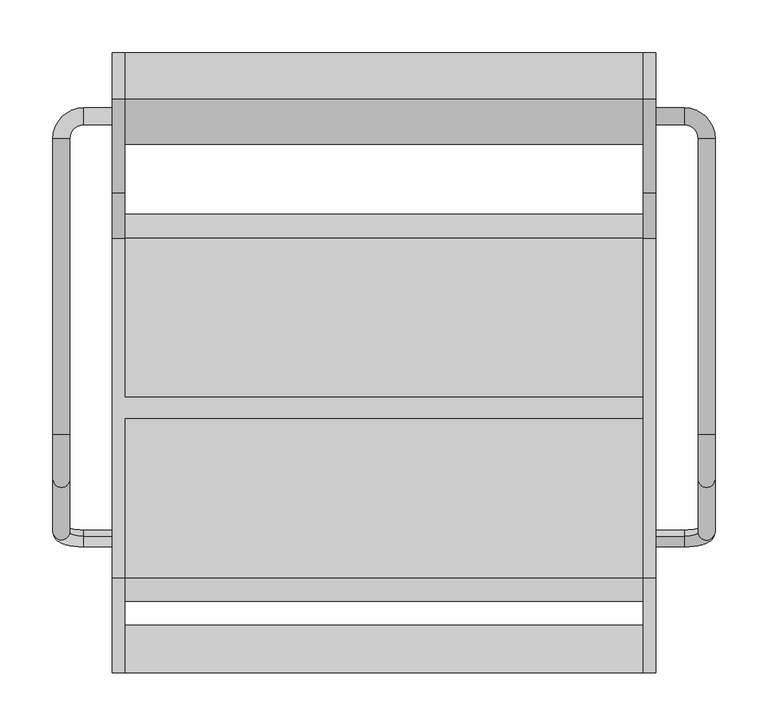
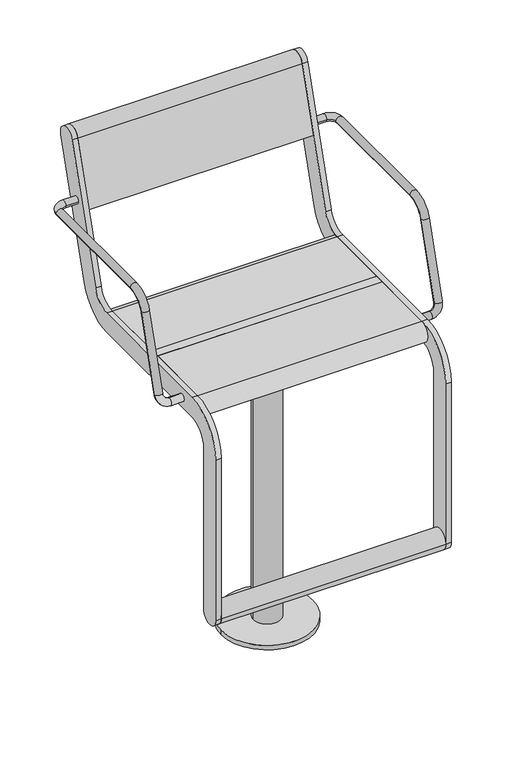
"""IFC4 building model written with IfcOpenShell, lengths in millimetres: furniture geometry."""

from ifc_helpers import new_model, si_unit, point, frame, frame_2d, origin, origin_with_axes, origin_2d, place, context, project, spatial, polyline, circle_curve, ellipse_curve, trimmed, segment, composite_curve, outline, extrude, source, transform, mapped, element, save
from ifc_brep_helpers import plane_surface, cylinder_surface, revolved_surface, advanced_brep


def furniture_596b1c0a(model_context):
    return source(origin(), model_context, "Body", "SolidModel", [
        extrude(outline(composite_curve([segment(trimmed(circle_curve(origin_2d(), 40.0), [point((-40.0, 0.0))], [point((40.0, 0.0))], False, "CARTESIAN"), True, "CONTINUOUS"), segment(trimmed(circle_curve(origin_2d(), 40.0), [point((40.0, 0.0))], [point((-40.0, 0.0))], False, "CARTESIAN"), True, "CONTINUOUS")], self_intersect=False)), frame((0.0, 0.0, 578.999979), z_axis=(0.0, 0.0, 1.0), x_axis=(1.0, 0.0, 0.0)), (0.0, 0.0, 1.0), 60.0000441),
        extrude(outline(polyline([(75.0, 125.0), (75.0, -125.0), (-75.0, -125.0), (-75.0, 125.0), (75.0, 125.0)])), frame((0.0, 0.0, 639.0000231), z_axis=(0.0, 0.0, 1.0), x_axis=(1.0, 0.0, 0.0)), (0.0, 0.0, 1.0), 15.9999681),
        extrude(outline(composite_curve([segment(trimmed(circle_curve(origin_2d(), 100.0), [point((-100.0, 0.0))], [point((100.0, 0.0))], False, "CARTESIAN"), True, "CONTINUOUS"), segment(trimmed(circle_curve(origin_2d(), 100.0), [point((100.0, 0.0))], [point((-100.0, 0.0))], False, "CARTESIAN"), True, "CONTINUOUS")], self_intersect=False)), origin_with_axes(), (0.0, 0.0, 1.0), 10.0),
        extrude(outline(composite_curve([segment(trimmed(circle_curve(origin_2d(), 30.0), [point((-30.0, 0.0))], [point((30.0, 0.0))], False, "CARTESIAN"), True, "CONTINUOUS"), segment(trimmed(circle_curve(origin_2d(), 30.0), [point((30.0, 0.0))], [point((-30.0, 0.0))], False, "CARTESIAN"), True, "CONTINUOUS")], self_intersect=False)), frame((0.0, 0.0, 10.0), z_axis=(0.0, 0.0, 1.0), x_axis=(1.0, 0.0, 0.0)), (0.0, 0.0, 1.0), 568.999979),
        extrude(outline(composite_curve([segment(trimmed(circle_curve(frame_2d((-228.4999475, 240.0002133)), 22.4999984), [point((-205.9999492, 240.0002133))], [point((-250.9999459, 240.0002133))], False, "CARTESIAN"), True, "CONTINUOUS"), segment(trimmed(circle_curve(frame_2d((-228.4999475, 240.0002133)), 22.4999984), [point((-250.9999459, 240.0002133))], [point((-205.9999492, 240.0002133))], False, "CARTESIAN"), True, "CONTINUOUS")], self_intersect=False)), frame((-245.0, 0.0, 0.0), z_axis=(1.0, 0.0, 0.0), x_axis=(0.0, 1.0, 0.0)), (0.0, 0.0, 1.0), 490.0),
        extrude(outline(composite_curve([segment(trimmed(circle_curve(frame_2d((312.5544541, 1013.1126327)), 22.5), [point((291.0375971, 1019.6909961))], [point((334.0713112, 1006.5342693))], False, "CARTESIAN"), True, "CONTINUOUS"), segment(polyline([(334.0713112, 1006.5342693), (246.067428, 718.6865378)]), True, "CONTINUOUS"), segment(trimmed(circle_curve(frame_2d((160.0, 744.9999912)), 90.0), [point((246.067428, 718.6865378))], [point((160.0, 654.9999912))], False, "CARTESIAN"), True, "CONTINUOUS"), segment(polyline([(160.0, 654.9999912), (-161.000007, 654.9999912)]), True, "CONTINUOUS"), segment(trimmed(circle_curve(frame_2d((-161.000007, 610.000049)), 44.9999422), [point((-161.000007, 654.9999912))], [point((-205.9999492, 610.000049))], True, "CARTESIAN"), True, "CONTINUOUS"), segment(polyline([(-205.9999492, 610.000049), (-205.9999492, 240.0002133)]), True, "CONTINUOUS"), segment(trimmed(circle_curve(frame_2d((-228.4999475, 240.0002133)), 22.4999984), [point((-205.9999492, 240.0002133))], [point((-250.9999459, 240.0002133))], False, "CARTESIAN"), True, "CONTINUOUS"), segment(polyline([(-250.9999459, 240.0002133), (-250.9999459, 610.0000453)]), True, "CONTINUOUS"), segment(trimmed(circle_curve(frame_2d((-161.0, 610.0000453)), 89.9999459), [point((-250.9999459, 610.0000453))], [point((-161.0, 699.9999912))], False, "CARTESIAN"), True, "CONTINUOUS"), segment(polyline([(-161.0, 699.9999912), (160.0, 699.9999912)]), True, "CONTINUOUS"), segment(trimmed(circle_curve(frame_2d((160.0, 744.9999912)), 45.0), [point((160.0, 699.9999912))], [point((203.033714, 731.8432645))], True, "CARTESIAN"), True, "CONTINUOUS"), segment(polyline([(203.033714, 731.8432645), (291.0375971, 1019.6909961)]), True, "CONTINUOUS")], self_intersect=False)), frame((245.0000214, 0.0, 0.0), z_axis=(1.0, 0.0, 0.0), x_axis=(0.0, 1.0, 0.0)), (0.0, 0.0, 1.0), 12.0),
        advanced_brep(
        [(-257.0, -121.6610264, 685.1504293), (-257.0, -126.3389736, 669.8495532), (-284.0, -126.3389736, 669.8495532), (-284.0, -121.6610264, 685.1504293), (-313.0, -117.8601942, 697.5823911), (-297.0, -117.8601942, 697.5823911), (-313.0, 254.0, 891.4999912), (-313.0, -25.2753858, 891.4999912), (-297.0, -25.2753858, 891.4999912), (-297.0, 254.0, 891.4999912), (-297.0, -68.3090998, 859.6567179), (-313.0, -68.3090998, 859.6567179), (-257.0, 267.0, 891.4999912), (-257.0, 283.0, 891.4999912), (-284.0, 283.0, 891.4999912), (-284.0, 267.0, 891.4999912)],
        [
            (0, 1, circle_curve(frame((-257.0, -124.0, 677.4999912), z_axis=(1.0, 0.0, 0.0), x_axis=(0.0, -0.2923717047227402, -0.9563047559630344)), 8.0)),
            (1, 0, circle_curve(frame((-257.0, -124.0, 677.4999912), z_axis=(1.0, 0.0, 0.0), x_axis=(0.0, -0.2923717047227402, -0.9563047559630344)), 8.0)),
            (1, 2),
            (2, 3, circle_curve(frame((-284.0, -124.0, 677.4999912), z_axis=(1.0, 0.0, 0.0), x_axis=(0.0, -0.2923717047227402, -0.9563047559630344)), 8.0)),
            (3, 0),
            (3, 2, circle_curve(frame((-284.0, -124.0, 677.4999912), z_axis=(1.0, 0.0, 0.0), x_axis=(0.0, -0.2923717047227402, -0.9563047559630344)), 8.0)),
            (2, 4, circle_curve(frame((-284.0, -117.8601942, 697.5823911), z_axis=(0.0, 0.9563047559630344, -0.29237170472274027), x_axis=(0.0, -0.29237170472274027, -0.9563047559630344)), 29.0)),
            (4, 5, circle_curve(frame((-305.0, -117.8601942, 697.5823911), z_axis=(0.0, -0.29237170472274027, -0.9563047559630344), x_axis=(-1.0, 0.0, 0.0)), 8.0)),
            (5, 3, circle_curve(frame((-284.0, -117.8601942, 697.5823911), z_axis=(0.0, -0.9563047559630344, 0.29237170472274027), x_axis=(0.0, -0.29237170472274027, -0.9563047559630344)), 13.0)),
            (5, 4, circle_curve(frame((-305.0, -117.8601942, 697.5823911), z_axis=(0.0, -0.29237170472274027, -0.9563047559630344), x_axis=(-1.0, 0.0, 0.0)), 8.0)),
            (6, 7),
            (7, 8, circle_curve(frame((-305.0, -25.2753858, 891.4999912), z_axis=(0.0, 1.0, 0.0), x_axis=(-1.0, 0.0, 0.0)), 8.0)),
            (8, 9),
            (9, 6, circle_curve(frame((-305.0, 254.0, 891.4999912), z_axis=(0.0, -1.0, 0.0), x_axis=(-1.0, 0.0, 0.0)), 8.0)),
            (6, 9, circle_curve(frame((-305.0, 254.0, 891.4999912), z_axis=(0.0, -1.0, 0.0), x_axis=(-1.0, 0.0, 0.0)), 8.0)),
            (8, 7, circle_curve(frame((-305.0, -25.2753858, 891.4999912), z_axis=(0.0, 1.0, 0.0), x_axis=(-1.0, 0.0, 0.0)), 8.0)),
            (10, 11, circle_curve(frame((-305.0, -68.3090998, 859.6567179), z_axis=(0.0, -0.292371704722738, -0.9563047559630351), x_axis=(-1.0, 0.0, 0.0)), 8.0)),
            (11, 4),
            (5, 10),
            (11, 10, circle_curve(frame((-305.0, -68.3090998, 859.6567179), z_axis=(0.0, -0.292371704722738, -0.9563047559630351), x_axis=(-1.0, 0.0, 0.0)), 8.0)),
            (7, 11, circle_curve(frame((-313.0, -25.2753858, 846.4999912), z_axis=(1.0, 0.0, 0.0), x_axis=(0.0, 0.0, 1.0)), 45.0)),
            (10, 8, circle_curve(frame((-297.0, -25.2753858, 846.4999912), z_axis=(-1.0, 0.0, 0.0), x_axis=(0.0, 0.0, 1.0)), 45.0)),
            (12, 13, circle_curve(frame((-257.0, 275.0, 891.4999912), z_axis=(1.0, 0.0, 0.0), x_axis=(0.0, 1.0, 0.0)), 8.0)),
            (13, 12, circle_curve(frame((-257.0, 275.0, 891.4999912), z_axis=(1.0, 0.0, 0.0), x_axis=(0.0, 1.0, 0.0)), 8.0)),
            (13, 14),
            (14, 15, circle_curve(frame((-284.0, 275.0, 891.4999912), z_axis=(1.0, 0.0, 0.0), x_axis=(0.0, 1.0, 0.0)), 8.0)),
            (15, 12),
            (15, 14, circle_curve(frame((-284.0, 275.0, 891.4999912), z_axis=(1.0, 0.0, 0.0), x_axis=(0.0, 1.0, 0.0)), 8.0)),
            (14, 6, circle_curve(frame((-284.0, 254.0, 891.4999912), z_axis=(0.0, 0.0, 1.0), x_axis=(0.0, 1.0, 0.0)), 29.0)),
            (9, 15, circle_curve(frame((-284.0, 254.0, 891.4999912), z_axis=(0.0, 0.0, -1.0), x_axis=(0.0, 1.0, 0.0)), 13.0)),
        ],
        [
            plane_surface(frame((-257.0, -737.469501, 865.0564398), z_axis=(1.0, 0.0, 0.0), x_axis=(0.0, 0.9563047559630344, -0.29237170472274027))),
            cylinder_surface(frame((-257.0, -124.0, 677.4999912), z_axis=(1.0, 0.0, 0.0), x_axis=(0.0, -0.2923717047227402, -0.9563047559630344)), 8.0),
            revolved_surface(trimmed(ellipse_curve(frame((-284.0, -124.0, 677.4999912), z_axis=(1.0, 0.0, 0.0), x_axis=(0.0, -0.2923717047227402, -0.9563047559630344)), 8.0, 8.0), [point((-284.0, -126.3389736, 669.8495532))], [point((-284.0, -121.6610264, 685.1504293))], True, "CARTESIAN"), (-284.0, -731.3296952, 885.1388397), (0.0, 0.9563047559630344, -0.29237170472274027)),
            revolved_surface(trimmed(ellipse_curve(frame((-284.0, -124.0, 677.4999912), z_axis=(1.0, 0.0, 0.0), x_axis=(0.0, -0.2923717047227402, -0.9563047559630344)), 8.0, 8.0), [point((-284.0, -121.6610264, 685.1504293))], [point((-284.0, -126.3389736, 669.8495532))], True, "CARTESIAN"), (-284.0, -731.3296952, 885.1388397), (0.0, 0.9563047559630344, -0.29237170472274027)),
            cylinder_surface(frame((-305.0, 254.0, 891.4999912), z_axis=(0.0, 1.0, 0.0), x_axis=(-1.0, 0.0, 0.0)), 8.0),
            cylinder_surface(frame((-305.0, -68.3090998, 859.6567179), z_axis=(0.0, 0.292371704722738, 0.9563047559630351), x_axis=(-1.0, 0.0, 0.0)), 8.0),
            revolved_surface(trimmed(ellipse_curve(frame((-305.0, -25.2753858, 891.4999912), z_axis=(0.0, 1.0, 0.0), x_axis=(-1.0, 0.0, 0.0)), 8.0, 8.0), [point((-313.0, -25.2753858, 891.4999912))], [point((-297.0, -25.2753858, 891.4999912))], True, "CARTESIAN"), (0.0, -25.2753858, 846.4999912), (1.0, 0.0, 0.0)),
            revolved_surface(trimmed(ellipse_curve(frame((-305.0, -25.2753858, 891.4999912), z_axis=(0.0, 1.0, 0.0), x_axis=(-1.0, 0.0, 0.0)), 8.0, 8.0), [point((-297.0, -25.2753858, 891.4999912))], [point((-313.0, -25.2753858, 891.4999912))], True, "CARTESIAN"), (0.0, -25.2753858, 846.4999912), (1.0, 0.0, 0.0)),
            plane_surface(frame((-257.0, 275.0, -99.999782), z_axis=(1.0, 0.0, 0.0), x_axis=(0.0, 0.0, 1.0))),
            cylinder_surface(frame((-257.0, 275.0, 891.4999912), z_axis=(1.0, 0.0, 0.0), x_axis=(0.0, 1.0, 0.0)), 8.0),
            revolved_surface(trimmed(ellipse_curve(frame((-284.0, 275.0, 891.4999912), z_axis=(1.0, 0.0, 0.0), x_axis=(0.0, 1.0, 0.0)), 8.0, 8.0), [point((-284.0, 283.0, 891.4999912))], [point((-284.0, 267.0, 891.4999912))], True, "CARTESIAN"), (-284.0, 254.0, -99.999782), (0.0, 0.0, 1.0)),
            revolved_surface(trimmed(ellipse_curve(frame((-284.0, 275.0, 891.4999912), z_axis=(1.0, 0.0, 0.0), x_axis=(0.0, 1.0, 0.0)), 8.0, 8.0), [point((-284.0, 267.0, 891.4999912))], [point((-284.0, 283.0, 891.4999912))], True, "CARTESIAN"), (-284.0, 254.0, -99.999782), (0.0, 0.0, 1.0)),
        ],
        [
            (0, [[1, 2]]),
            (1, [[-2, 3, 4, 5]]),
            (1, [[-1, -5, 6, -3]]),
            (2, [[-4, 7, 8, 9]]),
            (3, [[-6, -9, 10, -7]]),
            (4, [[11, 12, 13, 14]]),
            (4, [[-11, 15, -13, 16]]),
            (5, [[17, 18, -10, 19]]),
            (5, [[-18, 20, -19, -8]]),
            (6, [[-12, 21, -17, 22]]),
            (7, [[-16, -22, -20, -21]]),
            (8, [[23, 24]]),
            (9, [[-24, 25, 26, 27]]),
            (9, [[-23, -27, 28, -25]]),
            (10, [[-26, 29, -14, 30]]),
            (11, [[-28, -30, -15, -29]]),
        ],
    ),
        advanced_brep(
        [(297.0, 254.0, 891.4999912), (297.0, -25.2753858, 891.4999912), (313.0, -25.2753858, 891.4999912), (313.0, 254.0, 891.4999912), (313.0, -68.3090998, 859.6567179), (297.0, -68.3090998, 859.6567179), (297.0, -117.8601942, 697.5823911), (313.0, -117.8601942, 697.5823911), (257.0, 267.0, 891.4999912), (257.0, 283.0, 891.4999912), (284.0, 267.0, 891.4999912), (284.0, 283.0, 891.4999912), (257.0, -121.6610264, 685.1504293), (257.0, -126.3389736, 669.8495532), (284.0, -121.6610264, 685.1504293), (284.0, -126.3389736, 669.8495532)],
        [
            (0, 1),
            (1, 2, circle_curve(frame((305.0, -25.2753858, 891.4999912), z_axis=(0.0, 1.0, 0.0), x_axis=(1.0, 0.0, 0.0)), 8.0)),
            (2, 3),
            (3, 0, circle_curve(frame((305.0, 254.0, 891.4999912), z_axis=(0.0, -1.0, 0.0), x_axis=(1.0, 0.0, 0.0)), 8.0)),
            (0, 3, circle_curve(frame((305.0, 254.0, 891.4999912), z_axis=(0.0, -1.0, 0.0), x_axis=(1.0, 0.0, 0.0)), 8.0)),
            (2, 1, circle_curve(frame((305.0, -25.2753858, 891.4999912), z_axis=(0.0, 1.0, 0.0), x_axis=(1.0, 0.0, 0.0)), 8.0)),
            (4, 5, circle_curve(frame((305.0, -68.3090998, 859.6567179), z_axis=(0.0, -0.292371704722738, -0.9563047559630351), x_axis=(1.0, 0.0, 0.0)), 8.0)),
            (5, 6),
            (6, 7, circle_curve(frame((305.0, -117.8601942, 697.5823911), z_axis=(0.0, 0.292371704722738, 0.9563047559630351), x_axis=(1.0, 0.0, 0.0)), 8.0)),
            (7, 4),
            (5, 4, circle_curve(frame((305.0, -68.3090998, 859.6567179), z_axis=(0.0, -0.292371704722738, -0.9563047559630351), x_axis=(1.0, 0.0, 0.0)), 8.0)),
            (7, 6, circle_curve(frame((305.0, -117.8601942, 697.5823911), z_axis=(0.0, 0.292371704722738, 0.9563047559630351), x_axis=(1.0, 0.0, 0.0)), 8.0)),
            (1, 5, circle_curve(frame((297.0, -25.2753858, 846.4999912), z_axis=(1.0, 0.0, 0.0), x_axis=(0.0, 0.0, 1.0)), 45.0)),
            (4, 2, circle_curve(frame((313.0, -25.2753858, 846.4999912), z_axis=(-1.0, 0.0, 0.0), x_axis=(0.0, 0.0, 1.0)), 45.0)),
            (8, 9, circle_curve(frame((257.0, 275.0, 891.4999912), z_axis=(-1.0, 0.0, 0.0), x_axis=(0.0, 1.0, 0.0)), 8.0)),
            (9, 8, circle_curve(frame((257.0, 275.0, 891.4999912), z_axis=(-1.0, 0.0, 0.0), x_axis=(0.0, 1.0, 0.0)), 8.0)),
            (8, 10),
            (10, 11, circle_curve(frame((284.0, 275.0, 891.4999912), z_axis=(-1.0, 0.0, 0.0), x_axis=(0.0, 1.0, 0.0)), 8.0)),
            (11, 9),
            (11, 10, circle_curve(frame((284.0, 275.0, 891.4999912), z_axis=(-1.0, 0.0, 0.0), x_axis=(0.0, 1.0, 0.0)), 8.0)),
            (10, 0, circle_curve(frame((284.0, 254.0, 891.4999912), z_axis=(0.0, 0.0, -1.0), x_axis=(0.0, 1.0, 0.0)), 13.0)),
            (3, 11, circle_curve(frame((284.0, 254.0, 891.4999912), z_axis=(0.0, 0.0, 1.0), x_axis=(0.0, 1.0, 0.0)), 29.0)),
            (12, 13, circle_curve(frame((257.0, -124.0, 677.4999912), z_axis=(-1.0, 0.0, 0.0), x_axis=(0.0, -0.2923717047227402, -0.9563047559630344)), 8.0)),
            (13, 12, circle_curve(frame((257.0, -124.0, 677.4999912), z_axis=(-1.0, 0.0, 0.0), x_axis=(0.0, -0.2923717047227402, -0.9563047559630344)), 8.0)),
            (12, 14),
            (14, 15, circle_curve(frame((284.0, -124.0, 677.4999912), z_axis=(-1.0, 0.0, 0.0), x_axis=(0.0, -0.2923717047227402, -0.9563047559630344)), 8.0)),
            (15, 13),
            (15, 14, circle_curve(frame((284.0, -124.0, 677.4999912), z_axis=(-1.0, 0.0, 0.0), x_axis=(0.0, -0.2923717047227402, -0.9563047559630344)), 8.0)),
            (14, 6, circle_curve(frame((284.0, -117.8601942, 697.5823911), z_axis=(0.0, -0.9563047559630344, 0.2923717047227402), x_axis=(0.0, -0.2923717047227402, -0.9563047559630344)), 13.0)),
            (7, 15, circle_curve(frame((284.0, -117.8601942, 697.5823911), z_axis=(0.0, 0.9563047559630344, -0.2923717047227402), x_axis=(0.0, -0.2923717047227402, -0.9563047559630344)), 29.0)),
        ],
        [
            cylinder_surface(frame((305.0, 254.0, 891.4999912), z_axis=(0.0, 1.0, 0.0), x_axis=(1.0, 0.0, 0.0)), 8.0),
            cylinder_surface(frame((305.0, -68.3090998, 859.6567179), z_axis=(0.0, 0.292371704722738, 0.9563047559630351), x_axis=(1.0, 0.0, 0.0)), 8.0),
            revolved_surface(trimmed(ellipse_curve(frame((305.0, -25.2753858, 891.4999912), z_axis=(0.0, 1.0, 0.0), x_axis=(1.0, 0.0, 0.0)), 8.0, 8.0), [point((297.0, -25.2753858, 891.4999912))], [point((313.0, -25.2753858, 891.4999912))], True, "CARTESIAN"), (0.0, -25.2753858, 846.4999912), (1.0, 0.0, 0.0)),
            revolved_surface(trimmed(ellipse_curve(frame((305.0, -25.2753858, 891.4999912), z_axis=(0.0, 1.0, 0.0), x_axis=(1.0, 0.0, 0.0)), 8.0, 8.0), [point((313.0, -25.2753858, 891.4999912))], [point((297.0, -25.2753858, 891.4999912))], True, "CARTESIAN"), (0.0, -25.2753858, 846.4999912), (1.0, 0.0, 0.0)),
            plane_surface(frame((257.0, 275.0, -99.999782), z_axis=(-1.0, 0.0, 0.0), x_axis=(0.0, 0.0, 1.0))),
            cylinder_surface(frame((257.0, 275.0, 891.4999912), z_axis=(-1.0, 0.0, 0.0), x_axis=(0.0, 1.0, 0.0)), 8.0),
            revolved_surface(trimmed(ellipse_curve(frame((284.0, 275.0, 891.4999912), z_axis=(-1.0, 0.0, 0.0), x_axis=(0.0, 1.0, 0.0)), 8.0, 8.0), [point((284.0, 267.0, 891.4999912))], [point((284.0, 283.0, 891.4999912))], True, "CARTESIAN"), (284.0, 254.0, -99.999782), (0.0, 0.0, -1.0)),
            revolved_surface(trimmed(ellipse_curve(frame((284.0, 275.0, 891.4999912), z_axis=(-1.0, 0.0, 0.0), x_axis=(0.0, 1.0, 0.0)), 8.0, 8.0), [point((284.0, 283.0, 891.4999912))], [point((284.0, 267.0, 891.4999912))], True, "CARTESIAN"), (284.0, 254.0, -99.999782), (0.0, 0.0, -1.0)),
            plane_surface(frame((257.0, -737.469501, 865.0564398), z_axis=(-1.0, 0.0, 0.0), x_axis=(0.0, 0.9563047559630344, -0.2923717047227402))),
            cylinder_surface(frame((257.0, -124.0, 677.4999912), z_axis=(-1.0, 0.0, 0.0), x_axis=(0.0, -0.2923717047227402, -0.9563047559630344)), 8.0),
            revolved_surface(trimmed(ellipse_curve(frame((284.0, -124.0, 677.4999912), z_axis=(-1.0, 0.0, 0.0), x_axis=(0.0, -0.2923717047227402, -0.9563047559630344)), 8.0, 8.0), [point((284.0, -121.6610264, 685.1504293))], [point((284.0, -126.3389736, 669.8495532))], True, "CARTESIAN"), (284.0, -731.3296952, 885.1388397), (0.0, -0.9563047559630344, 0.2923717047227402)),
            revolved_surface(trimmed(ellipse_curve(frame((284.0, -124.0, 677.4999912), z_axis=(-1.0, 0.0, 0.0), x_axis=(0.0, -0.2923717047227402, -0.9563047559630344)), 8.0, 8.0), [point((284.0, -126.3389736, 669.8495532))], [point((284.0, -121.6610264, 685.1504293))], True, "CARTESIAN"), (284.0, -731.3296952, 885.1388397), (0.0, -0.9563047559630344, 0.2923717047227402)),
        ],
        [
            (0, [[1, 2, 3, 4]]),
            (0, [[-1, 5, -3, 6]]),
            (1, [[7, 8, 9, 10]]),
            (1, [[-8, 11, -10, 12]]),
            (2, [[-2, 13, -7, 14]]),
            (3, [[-6, -14, -11, -13]]),
            (4, [[15, 16]]),
            (5, [[-15, 17, 18, 19]]),
            (5, [[-16, -19, 20, -17]]),
            (6, [[-18, 21, -4, 22]]),
            (7, [[-20, -22, -5, -21]]),
            (8, [[23, 24]]),
            (9, [[-23, 25, 26, 27]]),
            (9, [[-24, -27, 28, -25]]),
            (10, [[-26, 29, -12, 30]]),
            (11, [[-28, -30, -9, -29]]),
        ],
    ),
        advanced_brep(
        [(-245.0, 291.0375971, 1019.6909961), (-245.0, 203.033714, 731.8432645), (-245.0, 160.0, 699.9999912), (-245.0, 9.5, 699.9999912), (-245.0, 9.5, 654.9999912), (-245.0, 160.0, 654.9999912), (-245.0, 246.067428, 718.6865378), (-245.0, 334.0713112, 1006.5342693), (-245.0, -161.0, 699.9999912), (-245.0, -250.9999459, 610.0000453), (-245.0, -250.9999459, 240.0002133), (-245.0, -205.9999492, 240.0002133), (-245.0, -205.9999492, 610.000049), (-245.0, -161.000007, 654.9999912), (-245.0, -10.5, 654.9999912), (-245.0, -10.5, 699.9999912), (-257.0, 291.0375971, 1019.6909961), (-257.0, 334.0713112, 1006.5342693), (-257.0, 246.067428, 718.6865378), (-257.0, 160.0, 654.9999912), (-257.0, -161.000007, 654.9999912), (-257.0, -205.9999492, 610.000049), (-257.0, -205.9999492, 240.0002133), (-257.0, -250.9999459, 240.0002133), (-257.0, -250.9999459, 610.0000453), (-257.0, -161.0, 699.9999912), (-257.0, 160.0, 699.9999912), (-257.0, 203.033714, 731.8432645), (245.0, -10.5, 699.9999912), (245.0, 9.5, 699.9999912), (245.0, 9.5, 654.9999912), (245.0, -10.5, 654.9999912)],
        [
            (0, 1),
            (1, 2, circle_curve(frame((-245.0, 160.0, 744.9999912), z_axis=(-1.0, 0.0, 0.0), x_axis=(0.0, -1.0, 0.0)), 45.0)),
            (2, 3),
            (3, 4),
            (4, 5),
            (5, 6, circle_curve(frame((-245.0, 160.0, 744.9999912), z_axis=(1.0, 0.0, 0.0), x_axis=(0.0, -1.0, 0.0)), 90.0)),
            (6, 7),
            (7, 0, circle_curve(frame((-245.0, 312.5544541, 1013.1126327), z_axis=(1.0, 0.0, 0.0), x_axis=(0.0, -1.0, 0.0)), 22.5)),
            (8, 9, circle_curve(frame((-245.0, -161.0, 610.0000453), z_axis=(1.0, 0.0, 0.0), x_axis=(0.0, -1.0, 0.0)), 89.9999459)),
            (9, 10),
            (10, 11, circle_curve(frame((-245.0, -228.4999475, 240.0002133), z_axis=(1.0, 0.0, 0.0), x_axis=(0.0, -1.0, 0.0)), 22.4999984)),
            (11, 12),
            (12, 13, circle_curve(frame((-245.0, -161.000007, 610.000049), z_axis=(-1.0, 0.0, 0.0), x_axis=(0.0, -1.0, 0.0)), 44.9999422)),
            (13, 14),
            (14, 15),
            (15, 8),
            (16, 17, circle_curve(frame((-257.0, 312.5544541, 1013.1126327), z_axis=(-1.0, 0.0, 0.0), x_axis=(0.0, -1.0, 0.0)), 22.5)),
            (17, 18),
            (18, 19, circle_curve(frame((-257.0, 160.0, 744.9999912), z_axis=(-1.0, 0.0, 0.0), x_axis=(0.0, -1.0, 0.0)), 90.0)),
            (19, 20),
            (20, 21, circle_curve(frame((-257.0, -161.000007, 610.000049), z_axis=(1.0, 0.0, 0.0), x_axis=(0.0, -1.0, 0.0)), 44.9999422)),
            (21, 22),
            (22, 23, circle_curve(frame((-257.0, -228.4999475, 240.0002133), z_axis=(-1.0, 0.0, 0.0), x_axis=(0.0, -1.0, 0.0)), 22.4999984)),
            (23, 24),
            (24, 25, circle_curve(frame((-257.0, -161.0, 610.0000453), z_axis=(-1.0, 0.0, 0.0), x_axis=(0.0, -1.0, 0.0)), 89.9999459)),
            (25, 26),
            (26, 27, circle_curve(frame((-257.0, 160.0, 744.9999912), z_axis=(1.0, 0.0, 0.0), x_axis=(0.0, -1.0, 0.0)), 45.0)),
            (27, 16),
            (0, 16),
            (27, 1),
            (26, 2),
            (25, 8),
            (15, 28),
            (28, 29),
            (29, 3),
            (19, 5),
            (4, 30),
            (30, 31),
            (31, 14),
            (13, 20),
            (18, 6),
            (17, 7),
            (28, 31),
            (30, 29),
            (24, 9),
            (23, 10),
            (22, 11),
            (21, 12),
        ],
        [
            plane_surface(frame((-245.0, 203.033714, 731.8432645), z_axis=(1.0, 0.0, 0.0), x_axis=(0.0, -0.2923717047227337, -0.9563047559630364))),
            plane_surface(frame((-257.0, 203.033714, 731.8432645), z_axis=(-1.0, 0.0, 0.0), x_axis=(0.0, 0.2923717047227337, 0.9563047559630364))),
            plane_surface(frame((-245.0, 291.0375971, 1019.6909961), z_axis=(0.0, -0.9563047559630364, 0.2923717047227337), x_axis=(-1.0, 0.0, 0.0))),
            revolved_surface(polyline([(-257.0, 115.0, 744.9999912), (-245.0, 115.0, 744.9999912)]), (-257.0, 160.0, 744.9999912), (-1.0, 0.0, 0.0)),
            plane_surface(frame((-245.0, 160.0, 699.9999912), z_axis=(0.0, 0.0, 1.0), x_axis=(-1.0, 0.0, 0.0))),
            plane_surface(frame((-245.0, -161.000007, 654.9999912), z_axis=(0.0, 0.0, -1.0), x_axis=(-1.0, 0.0, 0.0))),
            cylinder_surface(frame((-257.0, 160.0, 744.9999912), z_axis=(1.0, 0.0, 0.0), x_axis=(0.0, -1.0, 0.0)), 90.0),
            plane_surface(frame((-245.0, 246.067428, 718.6865378), z_axis=(0.0, 0.9563047559630364, -0.2923717047227337), x_axis=(-1.0, 0.0, 0.0))),
            cylinder_surface(frame((-257.0, 312.5544541, 1013.1126327), z_axis=(1.0, 0.0, 0.0), x_axis=(0.0, -1.0, 0.0)), 22.5),
            plane_surface(frame((245.0, -10.5, 699.9999912), z_axis=(1.0, 0.0, 0.0), x_axis=(0.0, -1.0, 0.0))),
            plane_surface(frame((245.0, -10.5, 699.9999912), z_axis=(0.0, -1.0, 0.0), x_axis=(-1.0, 0.0, 0.0))),
            plane_surface(frame((245.0, 9.5, 654.9999912), z_axis=(0.0, 1.0, 0.0), x_axis=(-1.0, 0.0, 0.0))),
            cylinder_surface(frame((-257.0, -161.0, 610.0000453), z_axis=(1.0, 0.0, 0.0), x_axis=(0.0, -1.0, 0.0)), 89.9999459),
            plane_surface(frame((-245.0, -250.9999459, 610.0000453), z_axis=(0.0, -1.0, 0.0), x_axis=(-1.0, 0.0, 0.0))),
            cylinder_surface(frame((-257.0, -228.4999475, 240.0002133), z_axis=(1.0, 0.0, 0.0), x_axis=(0.0, -1.0, 0.0)), 22.4999984),
            plane_surface(frame((-245.0, -205.9999492, 240.0002133), z_axis=(0.0, 1.0, 0.0), x_axis=(-1.0, 0.0, 0.0))),
            revolved_surface(polyline([(-257.0, -205.9999492, 610.000049), (-245.0, -205.9999492, 610.000049)]), (-257.0, -161.000007, 610.000049), (-1.0, 0.0, 0.0)),
        ],
        [
            (0, [[1, 2, 3, 4, 5, 6, 7, 8]]),
            (0, [[9, 10, 11, 12, 13, 14, 15, 16]]),
            (1, [[17, 18, 19, 20, 21, 22, 23, 24, 25, 26, 27, 28]]),
            (2, [[-1, 29, -28, 30]]),
            (3, [[-2, -30, -27, 31]]),
            (4, [[-26, 32, -16, 33, 34, 35, -3, -31]]),
            (5, [[-20, 36, -5, 37, 38, 39, -14, 40]]),
            (6, [[-6, -36, -19, 41]]),
            (7, [[-7, -41, -18, 42]]),
            (8, [[-8, -42, -17, -29]]),
            (9, [[-34, 43, -38, 44]]),
            (10, [[-43, -33, -15, -39]]),
            (11, [[-44, -37, -4, -35]]),
            (12, [[-9, -32, -25, 45]]),
            (13, [[-10, -45, -24, 46]]),
            (14, [[-11, -46, -23, 47]]),
            (15, [[-12, -47, -22, 48]]),
            (16, [[-13, -48, -21, -40]]),
        ],
    ),
        extrude(outline(composite_curve([segment(trimmed(circle_curve(frame_2d((312.5544541, 1013.1126327)), 22.5), [point((291.0375971, 1019.6909961))], [point((334.0713112, 1006.5342693))], False, "CARTESIAN"), True, "CONTINUOUS"), segment(polyline([(334.0713112, 1006.5342693), (291.5312281, 867.3919274), (248.4975141, 880.5486541), (291.0375971, 1019.6909961)]), True, "CONTINUOUS")], self_intersect=False)), frame((-245.0, 0.0, 0.0), z_axis=(1.0, 0.0, 0.0), x_axis=(0.0, 1.0, 0.0)), (0.0, 0.0, 1.0), 490.0),
        extrude(outline(composite_curve([segment(polyline([(9.5, 654.9999912), (9.5, 699.9999912), (160.0, 699.9999912)]), True, "CONTINUOUS"), segment(trimmed(circle_curve(frame_2d((160.0, 677.4999912)), 22.5), [point((160.0, 699.9999912))], [point((160.0, 654.9999912))], False, "CARTESIAN"), True, "CONTINUOUS"), segment(polyline([(160.0, 654.9999912), (9.5, 654.9999912)]), True, "CONTINUOUS")], self_intersect=False)), frame((-245.0, 0.0, 0.0), z_axis=(1.0, 0.0, 0.0), x_axis=(0.0, 1.0, 0.0)), (0.0, 0.0, 1.0), 490.0),
        extrude(outline(composite_curve([segment(polyline([(-10.5, 654.9999912), (-161.0, 654.9999912)]), True, "CONTINUOUS"), segment(trimmed(circle_curve(frame_2d((-161.0, 677.4999912)), 22.5), [point((-161.0, 654.9999912))], [point((-161.0, 699.9999912))], False, "CARTESIAN"), True, "CONTINUOUS"), segment(polyline([(-161.0, 699.9999912), (-10.5, 699.9999912), (-10.5, 654.9999912)]), True, "CONTINUOUS")], self_intersect=False)), frame((-245.0, 0.0, 0.0), z_axis=(1.0, 0.0, 0.0), x_axis=(0.0, 1.0, 0.0)), (0.0, 0.0, 1.0), 490.0),
    ])


if __name__ == "__main__":
    model = new_model("IFC4")
    model_context = context("Model", 3, world=origin())
    ifc_project = project(units=[si_unit("LENGTHUNIT", "METRE", prefix="MILLI")], contexts=[model_context])
    site = spatial("IfcSite", under=ifc_project)
    building = spatial("IfcBuilding", under=site)
    placement = place(None, origin())
    furniture_shape = furniture_596b1c0a(model_context)
    element("IfcFurniture", 1, at=placement, inside=building, context=model_context, shape_type="MappedRepresentation", body=[
        mapped(furniture_shape, transform((0.0, 0.0, 0.0), x_axis=(1.0, 0.0, 0.0), y_axis=(0.0, 1.0, 0.0), z_axis=(0.0, 0.0, 1.0))),
    ])
    save(model, "model.ifc")
